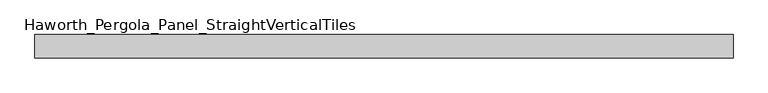
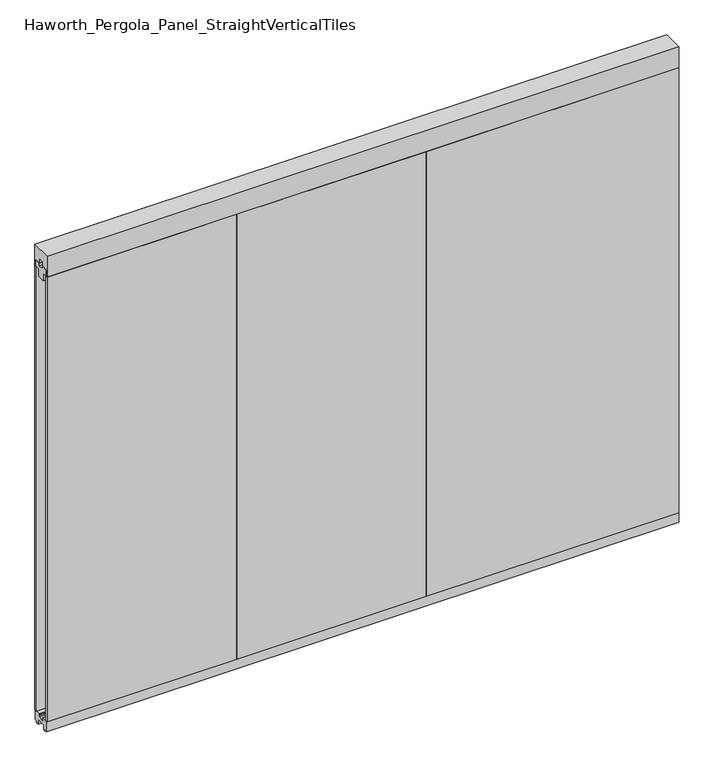
"""IFC4 building model written with IfcOpenShell, lengths in millimetres: furniture geometry, Haworth_Pergola_Panel_StraightVerticalTiles."""

from ifc_helpers import new_model, si_unit, frame, origin, place, context, project, spatial, polyline, outline, extrude, source, transform, mapped, element, save


def haworth_pergola_panel_straightverticaltiles_8c4273d6(model_context):
    return source(origin(), model_context, "Body", "SweptSolid", [
        extrude(outline(polyline([(12.7, 2363.5890625), (44.45, 2363.5890625), (44.45, 2331.8390625), (19.05, 2331.8390625), (19.05, 2293.7390625), (-19.05, 2293.7390625), (-19.05, 2331.8390625), (-44.45, 2331.8390625), (-44.45, 2363.5890625), (-12.7, 2363.5890625), (-12.7, 2350.8890625), (12.7, 2350.8890625), (12.7, 2363.5890625)])), frame((342.9, 0.0, 0.0), z_axis=(1.0, 0.0, 0.0), x_axis=(0.0, 1.0, 0.0)), (0.0, 0.0, 1.0), 1219.2),
        extrude(outline(polyline([(342.9, 50.8), (1562.1, 50.8), (1562.1, 38.1), (342.9, 38.1), (342.9, 50.8)])), frame((0.0, 0.0, 63.5), z_axis=(0.0, 0.0, 1.0), x_axis=(1.0, 0.0, 0.0)), (0.0, 0.0, 1.0), 2268.3390625),
        extrude(outline(polyline([(342.9, -38.1), (1562.1, -38.1), (1562.1, -50.8), (342.9, -50.8), (342.9, -38.1)])), frame((0.0, 0.0, 63.5), z_axis=(0.0, 0.0, 1.0), x_axis=(1.0, 0.0, 0.0)), (0.0, 0.0, 1.0), 2268.3390625),
        extrude(outline(polyline([(12.7, 2363.5890625), (44.45, 2363.5890625), (44.45, 2331.8390625), (19.05, 2331.8390625), (19.05, 2293.7390625), (-19.05, 2293.7390625), (-19.05, 2331.8390625), (-44.45, 2331.8390625), (-44.45, 2363.5890625), (-12.7, 2363.5890625), (-12.7, 2350.8890625), (12.7, 2350.8890625), (12.7, 2363.5890625)])), frame((-571.5, 0.0, 0.0), z_axis=(1.0, 0.0, 0.0), x_axis=(0.0, 1.0, 0.0)), (0.0, 0.0, 1.0), 914.4),
        extrude(outline(polyline([(-571.5, 50.8), (342.9, 50.8), (342.9, 38.1), (-571.5, 38.1), (-571.5, 50.8)])), frame((0.0, 0.0, 63.5), z_axis=(0.0, 0.0, 1.0), x_axis=(1.0, 0.0, 0.0)), (0.0, 0.0, 1.0), 2268.3390625),
        extrude(outline(polyline([(-571.5, -38.1), (342.9, -38.1), (342.9, -50.8), (-571.5, -50.8), (-571.5, -38.1)])), frame((0.0, 0.0, 63.5), z_axis=(0.0, 0.0, 1.0), x_axis=(1.0, 0.0, 0.0)), (0.0, 0.0, 1.0), 2268.3390625),
        extrude(outline(polyline([(12.7, 2363.5890625), (44.45, 2363.5890625), (44.45, 2331.8390625), (19.05, 2331.8390625), (19.05, 2293.7390625), (-19.05, 2293.7390625), (-19.05, 2331.8390625), (-44.45, 2331.8390625), (-44.45, 2363.5890625), (-12.7, 2363.5890625), (-12.7, 2350.8890625), (12.7, 2350.8890625), (12.7, 2363.5890625)])), frame((-1485.9, 0.0, 0.0), z_axis=(1.0, 0.0, 0.0), x_axis=(0.0, 1.0, 0.0)), (0.0, 0.0, 1.0), 914.4),
        extrude(outline(polyline([(-1485.9, 50.8), (-571.5, 50.8), (-571.5, 38.1), (-1485.9, 38.1), (-1485.9, 50.8)])), frame((0.0, 0.0, 63.5), z_axis=(0.0, 0.0, 1.0), x_axis=(1.0, 0.0, 0.0)), (0.0, 0.0, 1.0), 2268.3390625),
        extrude(outline(polyline([(-1485.9, -38.1), (-571.5, -38.1), (-571.5, -50.8), (-1485.9, -50.8), (-1485.9, -38.1)])), frame((0.0, 0.0, 63.5), z_axis=(0.0, 0.0, 1.0), x_axis=(1.0, 0.0, 0.0)), (0.0, 0.0, 1.0), 2268.3390625),
        extrude(outline(polyline([(-50.8, 2438.4), (50.8, 2438.4), (50.8, 2331.8390625), (15.2182948, 2331.8390625), (15.2182948, 2388.7001663), (-15.2182948, 2388.7001663), (-15.2182948, 2331.8390625), (-50.8, 2331.8390625), (-50.8, 2438.4)])), frame((-1485.9, 0.0, 0.0), z_axis=(1.0, 0.0, 0.0), x_axis=(0.0, 1.0, 0.0)), (0.0, 0.0, 1.0), 3048.0),
        extrude(outline(polyline([(-16.2000002, 63.5), (-16.5085717, 61.7499999), (-13.3999996, 61.7499999), (-13.3999996, 58.8973461), (-15.4000002, 59.2499999), (-15.4000002, 48.3500004), (15.4000003, 48.3500004), (15.4000003, 59.2499999), (13.3999997, 58.8973461), (13.3999997, 61.7499999), (16.5085718, 61.7499999), (16.2000003, 63.5), (50.0000004, 63.5), (50.0000004, 12.6999985), (40.9499987, 12.6999985), (38.9499981, 10.6999979), (28.9499999, 10.6999979), (28.9499999, 7.6999994), (38.9499981, 7.6999994), (38.9499981, 5.6999988), (23.7499993, 5.6999988), (23.7499993, 31.4500009), (-23.7499992, 31.4500009), (-23.7499992, 5.6999988), (-38.949998, 5.6999988), (-38.949998, 7.6999994), (-28.9499998, 7.6999994), (-28.9499998, 10.6999979), (-38.949998, 10.6999979), (-40.9499986, 12.6999985), (-50.0000003, 12.6999985), (-50.0000003, 63.5), (-16.2000002, 63.5)])), frame((-1485.9, 0.0, 0.0), z_axis=(1.0, 0.0, 0.0), x_axis=(0.0, 1.0, 0.0)), (0.0, 0.0, 1.0), 3048.0),
    ])


if __name__ == "__main__":
    model = new_model("IFC4")
    model_context = context("Model", 3, world=origin())
    ifc_project = project(units=[si_unit("LENGTHUNIT", "METRE", prefix="MILLI")], contexts=[model_context])
    site = spatial("IfcSite", under=ifc_project)
    building = spatial("IfcBuilding", under=site)
    placement = place(None, origin())
    haworth_pergola_panel_straightverticaltiles_shape = haworth_pergola_panel_straightverticaltiles_8c4273d6(model_context)
    element("IfcFurniture", 1, ObjectType="Haworth_Pergola_Panel_StraightVerticalTiles", at=placement, inside=building, context=model_context, shape_type="MappedRepresentation", body=[
        mapped(haworth_pergola_panel_straightverticaltiles_shape, transform((0.0, 0.0, 0.0), x_axis=(1.0, 0.0, 0.0), y_axis=(0.0, 1.0, 0.0), z_axis=(0.0, 0.0, 1.0))),
    ])
    save(model, "model.ifc")
